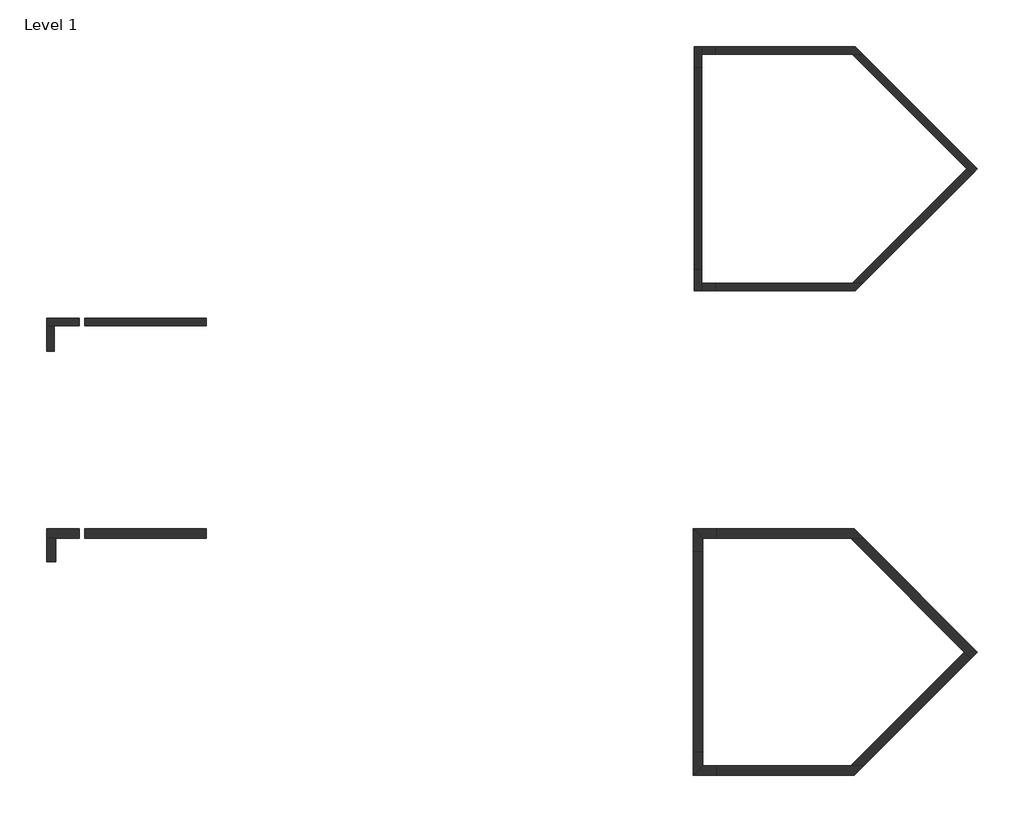
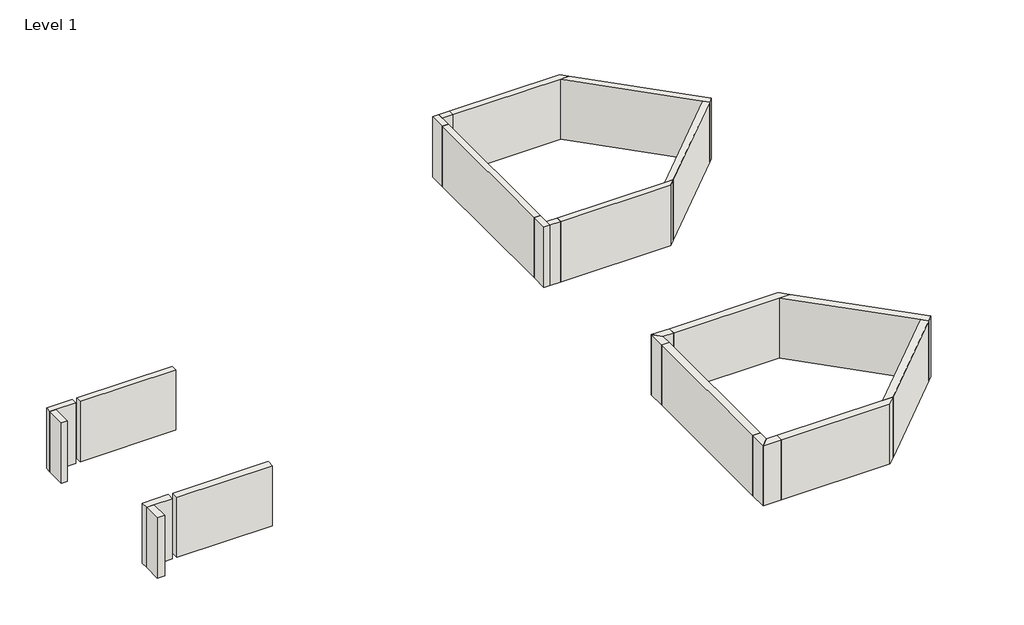
# One storey: 24 walls.
"""IFC4 building model written with IfcOpenShell, lengths in millimetres."""

import ifcopenshell
import ifcopenshell.guid

model = None  # the IFC model being written
_history = None  # IfcOwnerHistory: only IFC2X3 demands one
_inside = {}  # id of a spatial element -> (the spatial element, [elements in it])
_under = {}  # id of a project, library or spatial element -> (it, [spatial elements below it])
_declared = {}  # id of a project -> (the project, [libraries it declares])
_typed = {}  # id of a type object -> (the type object, [elements of that type])
_made_of = {}  # id of a material, layer set ... -> (it, [elements and type objects made of it])


def new_model(schema):
    """Start an empty IFC model of exactly this schema.

    Asked for "IFC4X3", IfcOpenShell would pick the latest addendum, in which some entities
    have other attributes; the version numbers below select the first issue.
    IFC2X3 requires an IfcOwnerHistory on every rooted entity: one is made here for all.
    """
    global model, _history
    if schema == "IFC4X3":
        model = ifcopenshell.file(schema_version=(4, 3, 0, 0))
    else:
        model = ifcopenshell.file(schema=schema)
    _inside.clear()
    _under.clear()
    _declared.clear()
    _typed.clear()
    _made_of.clear()
    _history = None
    if model.schema == "IFC2X3":
        org = make("IfcOrganization", Name="unknown")
        user = make(
            "IfcPersonAndOrganization",
            ThePerson=make("IfcPerson", FamilyName="unknown"),
            TheOrganization=org,
        )
        app = make(
            "IfcApplication",
            ApplicationDeveloper=org,
            Version="unknown",
            ApplicationFullName="unknown",
            ApplicationIdentifier="unknown",
        )
        _history = make(
            "IfcOwnerHistory",
            OwningUser=user,
            OwningApplication=app,
            ChangeAction="ADDED",
            CreationDate=0,
        )
    return model


def make(cls, **values):
    """One entity of the class cls with the attributes given. An attribute that is None is left unset."""
    return model.create_entity(
        cls, **{name: value for name, value in values.items() if value is not None}
    )


def rooted(cls, **values):
    """An entity with a GlobalId (a new one), such as an element, a storey or a relation."""
    return make(cls, GlobalId=ifcopenshell.guid.new(), OwnerHistory=_history, **values)


def si_unit(unit_type, name, prefix=None):
    """IfcSIUnit, for example si_unit("LENGTHUNIT", "METRE", prefix="MILLI")."""
    return make("IfcSIUnit", UnitType=unit_type, Prefix=prefix, Name=name)


def assignment(units):
    """IfcUnitAssignment: the units of a project."""
    return None if units is None else make("IfcUnitAssignment", Units=units)


def point(xyz):
    """IfcCartesianPoint."""
    return None if xyz is None else make("IfcCartesianPoint", Coordinates=xyz)


def direction(xyz):
    """IfcDirection."""
    return None if xyz is None else make("IfcDirection", DirectionRatios=xyz)


def frame(location, z_axis=None, x_axis=None):
    """IfcAxis2Placement3D, a coordinate frame: its origin and axes. An axis left out is left unset."""
    return make(
        "IfcAxis2Placement3D",
        Location=point(location),
        Axis=direction(z_axis),
        RefDirection=direction(x_axis),
    )


def origin():
    """The frame at (0, 0, 0) with its axes left unset."""
    return frame((0.0, 0.0, 0.0))


def origin_with_axes():
    """The frame at (0, 0, 0) with the z axis (0, 0, 1) and the x axis (1, 0, 0) written out."""
    return frame((0.0, 0.0, 0.0), z_axis=(0.0, 0.0, 1.0), x_axis=(1.0, 0.0, 0.0))


def place(relative_to, where):
    """IfcLocalPlacement: puts the frame where relative to a parent placement (None: the world)."""
    return make(
        "IfcLocalPlacement", PlacementRelTo=relative_to, RelativePlacement=where
    )


def context(
    kind, dimensions, precision=None, world=None, true_north=None, identifier=None
):
    """IfcGeometricRepresentationContext, for example the 3D "Model" context."""
    return make(
        "IfcGeometricRepresentationContext",
        ContextIdentifier=identifier,
        ContextType=kind,
        CoordinateSpaceDimension=dimensions,
        Precision=precision,
        WorldCoordinateSystem=world,
        TrueNorth=true_north,
    )


def project(units=None, contexts=None):
    """IfcProject with its units and contexts."""
    return rooted(
        "IfcProject",
        Name="project",
        RepresentationContexts=contexts,
        UnitsInContext=assignment(units),
    )


def spatial(cls, under=None, at=None, **own):
    """A site, building, storey or space (cls), placed at a placement, below another one or the project."""
    s = rooted(cls, ObjectPlacement=at, **own)
    if under is not None:
        _under.setdefault(under.id(), (under, []))[1].append(s)
    return s


def polyline(points):
    """IfcPolyline through the points."""
    return make("IfcPolyline", Points=[point(p) for p in points])


def outline(outer, holes=None, kind="AREA"):
    """IfcArbitraryClosedProfileDef: a profile drawn as a closed curve; with holes, ...WithVoids."""
    if holes is None:
        return make("IfcArbitraryClosedProfileDef", ProfileType=kind, OuterCurve=outer)
    return make(
        "IfcArbitraryProfileDefWithVoids",
        ProfileType=kind,
        OuterCurve=outer,
        InnerCurves=holes,
    )


def extrude(swept, where, along, depth):
    """IfcExtrudedAreaSolid: the profile swept, set in the frame where, extruded along a direction by depth."""
    return make(
        "IfcExtrudedAreaSolid",
        SweptArea=swept,
        Position=where,
        ExtrudedDirection=direction(along),
        Depth=depth,
    )


def faces_of(points, faces, orient=None, outer=None):
    """IfcFace entities. A face is a list of loops; a loop is a list of indices into points, from 0.

    orient and outer hold one flag for each loop. By default every Orientation is true, the
    first loop of a face is its IfcFaceOuterBound and the others are IfcFaceBound.
    """
    made = []
    for i, loops in enumerate(faces):
        bounds = []
        for j, loop in enumerate(loops):
            is_outer = j == 0 if outer is None else outer[i][j]
            bounds.append(
                make(
                    "IfcFaceOuterBound" if is_outer else "IfcFaceBound",
                    Bound=make("IfcPolyLoop", Polygon=[points[k] for k in loop]),
                    Orientation=True if orient is None else orient[i][j],
                )
            )
        made.append(make("IfcFace", Bounds=bounds))
    return made


def faceted_brep(points, faces, orient=None, outer=None, voids=None):
    """IfcFacetedBrep: a solid bounded by flat faces; with voids (closed shells), ...WithVoids."""
    shared = [point(p) for p in points]
    hull = make("IfcClosedShell", CfsFaces=faces_of(shared, faces, orient, outer))
    if voids is None:
        return make("IfcFacetedBrep", Outer=hull)
    return make(
        "IfcFacetedBrepWithVoids",
        Outer=hull,
        Voids=[
            make(cls, CfsFaces=faces_of(shared, fs, o, b)) for cls, fs, o, b in voids
        ],
    )


def shape(context_of_items, identifier, shape_type, items):
    """IfcShapeRepresentation: the items that make up one representation, for example the "Body"."""
    return make(
        "IfcShapeRepresentation",
        ContextOfItems=context_of_items,
        RepresentationIdentifier=identifier,
        RepresentationType=shape_type,
        Items=items,
    )


def made_of(thing, what):
    """Note that an element or type object is made of a material, layer set ...; save() writes the relation."""
    if what is not None:
        _made_of.setdefault(what.id(), (what, []))[1].append(thing)
    return thing


def element(
    cls,
    number,
    at=None,
    inside=None,
    cuts=None,
    type_object=None,
    material=None,
    context=None,
    identifier="Body",
    shape_type=None,
    held_by="IfcProductDefinitionShape",
    body=None,
    shapes=None,
    **own,
):
    """One element of the class cls, such as IfcWall. Its Tag is "e" and its number.

    at: its placement. inside: the storey or other place that contains it. cuts: it is an
    opening in that element (IfcRelVoidsElement). A single representation is given by context,
    identifier, shape_type and body (its items); several are given by shapes. held_by: the class
    of the entity that holds the representations. save() writes the other relations.
    """
    e = rooted(cls, Tag="e%d" % number, ObjectPlacement=at, **own)
    if body is not None:
        shapes = [shape(context, identifier, shape_type, body)]
    if shapes is not None:
        e.Representation = make(held_by, Representations=shapes)
    if inside is not None:
        _inside.setdefault(inside.id(), (inside, []))[1].append(e)
    if cuts is not None:
        rooted(
            "IfcRelVoidsElement", RelatingBuildingElement=cuts, RelatedOpeningElement=e
        )
    if type_object is not None:
        _typed.setdefault(type_object.id(), (type_object, []))[1].append(e)
    return made_of(e, material)


def aggregate(whole, parts):
    """IfcRelAggregates: a whole, such as a stair, and the parts it consists of."""
    return rooted("IfcRelAggregates", RelatingObject=whole, RelatedObjects=parts)


def save(model, path):
    """Write the relations noted so far, then the file.

    IfcRelAggregates (storeys below a building ...), IfcRelContainedInSpatialStructure (elements
    in a storey), IfcRelDefinesByType, IfcRelAssociatesMaterial and IfcRelDeclares: one each for
    every whole, place, type object, material and project.
    """
    for whole, parts in _under.values():
        aggregate(whole, parts)
    for where, things in _inside.values():
        rooted(
            "IfcRelContainedInSpatialStructure",
            RelatedElements=things,
            RelatingStructure=where,
        )
    for kind, things in _typed.values():
        rooted("IfcRelDefinesByType", RelatedObjects=things, RelatingType=kind)
    for what, things in _made_of.values():
        rooted("IfcRelAssociatesMaterial", RelatedObjects=things, RelatingMaterial=what)
    for by, libraries in _declared.values():
        rooted("IfcRelDeclares", RelatingContext=by, RelatedDefinitions=libraries)
    model.write(path)


model = new_model("IFC4")

# Units and contexts
model_context = context("Model", 3, world=origin())
ifc_project = project(units=[si_unit("LENGTHUNIT", "METRE", prefix="MILLI")], contexts=[model_context])

# Site, building, storey
site = spatial("IfcSite", under=ifc_project)
building = spatial("IfcBuilding", under=site)
storey = spatial("IfcBuildingStorey", under=building, Name="Level 1", Elevation=0.0)

# Walls
placement = place(None, origin())
element("IfcWall", 1, ObjectType="BB-490G 4\" 90-degree GlobalBlock Wall", at=placement, inside=storey, context=model_context, shape_type="Brep", body=[
    faceted_brep([(9486.9298824, 2909.1367059, 0.0), (5270.5298824, 2909.1367059, 0.0), (5270.5298824, 2909.1367059, 2438.4), (9486.9298824, 2909.1367059, 2438.4), (9715.5298824, 2680.5367059, 0.0), (9715.5298824, 2680.5367059, 2438.4), (9392.240662, 2680.5367059, 2438.4), (5270.5298824, 2680.5367059, 2438.4), (5270.5298824, 2680.5367059, 0.0), (9392.240662, 2680.5367059, 0.0)], [[[0, 1, 2, 3]], [[4, 5, 6, 7, 8, 9]], [[1, 0, 4, 9, 8]], [[2, 1, 8, 7]], [[3, 2, 7, 6, 5]], [[0, 3, 5, 4]]]),
])
element("IfcWall", 2, ObjectType="BB-490G 4\" 90-degree GlobalBlock Wall", at=placement, inside=storey, context=model_context, shape_type="SweptSolid", body=[
    extrude(outline(polyline([(4635.5298824, -3821.8632941), (4635.5298824, 2274.1367059), (4864.1298824, 2274.1367059), (4864.1298824, -3821.8632941), (4635.5298824, -3821.8632941)])), origin_with_axes(), (0.0, 0.0, 1.0), 2438.4),
])
element("IfcWall", 3, ObjectType="BB-490G 4\" 90-degree GlobalBlock Wall", at=placement, inside=storey, context=model_context, shape_type="Brep", body=[
    faceted_brep([(5270.5298824, -4456.8632941, 0.0), (9486.9298824, -4456.8632941, 0.0), (9486.9298824, -4456.8632941, 2438.4), (5270.5298824, -4456.8632941, 2438.4), (5270.5298824, -4228.2632941, 0.0), (5270.5298824, -4228.2632941, 2438.4), (9392.240662, -4228.2632941, 2438.4), (9715.5298824, -4228.2632941, 2438.4), (9715.5298824, -4228.2632941, 0.0), (9392.240662, -4228.2632941, 0.0)], [[[0, 1, 2, 3]], [[4, 5, 6, 7, 8, 9]], [[1, 0, 4, 9, 8]], [[3, 2, 7, 6, 5]], [[0, 3, 5, 4]], [[2, 1, 8, 7]]]),
])
element("IfcWall", 4, ObjectType="BB-490G 4\" 90-degree GlobalBlock Wall", at=placement, inside=storey, context=model_context, shape_type="SweptSolid", body=[
    extrude(outline(polyline([(13008.2852722, -935.5079043), (9715.5298824, -4228.2632941), (9392.240662, -4228.2632941), (12846.640662, -773.8632941), (13008.2852722, -935.5079043)])), origin_with_axes(), (0.0, 0.0, 1.0), 2438.4),
])
element("IfcWall", 5, ObjectType="BB-490G 4\" 90-degree GlobalBlock Wall", at=placement, inside=storey, context=model_context, shape_type="Brep", body=[
    faceted_brep([(9392.240662, 2680.5367059, 0.0), (12846.640662, -773.8632941, 0.0), (13008.2852722, -935.5079043, 0.0), (13008.2852722, -935.5079043, 2438.4), (12846.640662, -773.8632941, 2438.4), (9392.240662, 2680.5367059, 2438.4), (9715.5298824, 2680.5367059, 0.0), (9715.5298824, 2680.5367059, 2438.4), (13169.9298824, -773.8632941, 2438.4), (13169.9298824, -773.8632941, 0.0)], [[[0, 1, 2, 3, 4, 5]], [[6, 7, 8, 9]], [[2, 1, 0, 6, 9]], [[5, 4, 3, 8, 7]], [[3, 2, 9, 8]], [[0, 5, 7, 6]]]),
])
element("IfcWall", 6, ObjectType="BB-490G 4\" 90-degree GlobalBlock Wall", at=placement, inside=storey, context=model_context, shape_type="SweptSolid", body=[
    extrude(outline(polyline([(-10069.6733697, -5508.9174703), (-13727.2733697, -5508.9174703), (-13727.2733697, -5280.3174703), (-10069.6733697, -5280.3174703), (-10069.6733697, -5508.9174703)])), origin_with_axes(), (0.0, 0.0, 1.0), 2438.4),
])
element("IfcWall", 7, ObjectType="BB-490G 4\" 90-degree GlobalBlock Wall", at=placement, inside=storey, context=model_context, shape_type="Brep", body=[
    faceted_brep([(4635.5298824, -3821.8632941, 0.0), (4635.5298824, -4456.8632941, 0.0), (4635.5298824, -4456.8632941, 2438.4), (4635.5298824, -3821.8632941, 2438.4), (4864.1298824, -3821.8632941, 0.0), (4864.1298824, -3821.8632941, 2438.4), (4864.1298824, -4228.2632941, 2438.4), (4864.1298824, -4456.8632941, 2438.4), (4864.1298824, -4456.8632941, 0.0), (4864.1298824, -4228.2632941, 0.0)], [[[0, 1, 2, 3]], [[4, 5, 6, 7, 8, 9]], [[1, 0, 4, 9, 8]], [[3, 2, 7, 6, 5]], [[0, 3, 5, 4]], [[2, 1, 8, 7]]]),
])
element("IfcWall", 8, ObjectType="BB-490G 4\" 90-degree GlobalBlock Wall", at=placement, inside=storey, context=model_context, shape_type="SweptSolid", body=[
    extrude(outline(polyline([(5270.5298824, -4456.8632941), (4864.1298824, -4456.8632941), (4864.1298824, -4228.2632941), (5270.5298824, -4228.2632941), (5270.5298824, -4456.8632941)])), origin_with_axes(), (0.0, 0.0, 1.0), 2438.4),
])
element("IfcWall", 9, ObjectType="BB-490G 4\" 90-degree GlobalBlock Wall", at=placement, inside=storey, context=model_context, shape_type="Brep", body=[
    faceted_brep([(4864.1298824, 2274.1367059, 0.0), (4864.1298824, 2680.5367059, 0.0), (4864.1298824, 2909.1367059, 0.0), (4864.1298824, 2909.1367059, 2438.4), (4864.1298824, 2680.5367059, 2438.4), (4864.1298824, 2274.1367059, 2438.4), (4635.5298824, 2274.1367059, 0.0), (4635.5298824, 2274.1367059, 2438.4), (4635.5298824, 2909.1367059, 2438.4), (4635.5298824, 2909.1367059, 0.0)], [[[0, 1, 2, 3, 4, 5]], [[6, 7, 8, 9]], [[2, 1, 0, 6, 9]], [[5, 4, 3, 8, 7]], [[0, 5, 7, 6]], [[3, 2, 9, 8]]]),
])
element("IfcWall", 10, ObjectType="BB-490G 4\" 90-degree GlobalBlock Wall", at=placement, inside=storey, context=model_context, shape_type="SweptSolid", body=[
    extrude(outline(polyline([(5270.5298824, 2680.5367059), (4864.1298824, 2680.5367059), (4864.1298824, 2909.1367059), (5270.5298824, 2909.1367059), (5270.5298824, 2680.5367059)])), origin_with_axes(), (0.0, 0.0, 1.0), 2438.4),
])
element("IfcWall", 11, ObjectType="BB-490G 4\" 90-degree GlobalBlock Wall", at=placement, inside=storey, context=model_context, shape_type="Brep", body=[
    faceted_brep([(-13894.9938006, -5280.3174703, 0.0), (-14885.5938006, -5280.3174703, 0.0), (-14885.5938006, -5280.3174703, 2438.4), (-13894.9938006, -5280.3174703, 2438.4), (-13894.9938006, -5508.9174703, 0.0), (-13894.9938006, -5508.9174703, 2438.4), (-14656.9938006, -5508.9174703, 2438.4), (-14885.5938006, -5508.9174703, 2438.4), (-14885.5938006, -5508.9174703, 0.0), (-14656.9938006, -5508.9174703, 0.0)], [[[0, 1, 2, 3]], [[4, 5, 6, 7, 8, 9]], [[1, 0, 4, 9, 8]], [[3, 2, 7, 6, 5]], [[0, 3, 5, 4]], [[2, 1, 8, 7]]]),
])
element("IfcWall", 12, ObjectType="BB-490G 4\" 90-degree GlobalBlock Wall", at=placement, inside=storey, context=model_context, shape_type="SweptSolid", body=[
    extrude(outline(polyline([(-14885.5938006, -6270.9174703), (-14885.5938006, -5508.9174703), (-14656.9938006, -5508.9174703), (-14656.9938006, -6270.9174703), (-14885.5938006, -6270.9174703)])), origin_with_axes(), (0.0, 0.0, 1.0), 2438.4),
])
element("IfcWall", 13, ObjectType="BB-690G 6\" 90-degree GlobalBlock Wall", at=placement, inside=storey, context=model_context, shape_type="Brep", body=[
    faceted_brep([(9461.5298824, -11630.4741764, 0.0), (5295.9298824, -11630.4741764, 0.0), (5295.9298824, -11630.4741764, 2438.4), (9461.5298824, -11630.4741764, 2438.4), (9740.9298824, -11909.8741764, 0.0), (9740.9298824, -11909.8741764, 2438.4), (9345.798613, -11909.8741764, 2438.4), (5295.9298824, -11909.8741764, 2438.4), (5295.9298824, -11909.8741764, 0.0), (9345.798613, -11909.8741764, 0.0)], [[[0, 1, 2, 3]], [[4, 5, 6, 7, 8, 9]], [[1, 0, 4, 9, 8]], [[2, 1, 8, 7]], [[3, 2, 7, 6, 5]], [[0, 3, 5, 4]]]),
])
element("IfcWall", 14, ObjectType="BB-690G 6\" 90-degree GlobalBlock Wall", at=placement, inside=storey, context=model_context, shape_type="SweptSolid", body=[
    extrude(outline(polyline([(4610.1298824, -18361.4741764), (4610.1298824, -12316.2741764), (4889.5298824, -12316.2741764), (4889.5298824, -18361.4741764), (4610.1298824, -18361.4741764)])), origin_with_axes(), (0.0, 0.0, 1.0), 2438.4),
])
element("IfcWall", 15, ObjectType="BB-690G 6\" 90-degree GlobalBlock Wall", at=placement, inside=storey, context=model_context, shape_type="Brep", body=[
    faceted_brep([(5295.9298824, -19047.2741764, 0.0), (9461.5298824, -19047.2741764, 0.0), (9461.5298824, -19047.2741764, 2438.4), (5295.9298824, -19047.2741764, 2438.4), (5295.9298824, -18767.8741764, 0.0), (5295.9298824, -18767.8741764, 2438.4), (9345.798613, -18767.8741764, 2438.4), (9740.9298824, -18767.8741764, 2438.4), (9740.9298824, -18767.8741764, 0.0), (9345.798613, -18767.8741764, 0.0)], [[[0, 1, 2, 3]], [[4, 5, 6, 7, 8, 9]], [[1, 0, 4, 9, 8]], [[3, 2, 7, 6, 5]], [[0, 3, 5, 4]], [[2, 1, 8, 7]]]),
])
element("IfcWall", 16, ObjectType="BB-690G 6\" 90-degree GlobalBlock Wall", at=placement, inside=storey, context=model_context, shape_type="SweptSolid", body=[
    extrude(outline(polyline([(12972.3642477, -15536.4398111), (9740.9298824, -18767.8741764), (9345.798613, -18767.8741764), (12774.798613, -15338.8741764), (12972.3642477, -15536.4398111)])), origin_with_axes(), (0.0, 0.0, 1.0), 2438.4),
])
element("IfcWall", 17, ObjectType="BB-690G 6\" 90-degree GlobalBlock Wall", at=placement, inside=storey, context=model_context, shape_type="Brep", body=[
    faceted_brep([(9345.798613, -11909.8741764, 0.0), (12774.798613, -15338.8741764, 0.0), (12972.3642477, -15536.4398111, 0.0), (12972.3642477, -15536.4398111, 2438.4), (12774.798613, -15338.8741764, 2438.4), (9345.798613, -11909.8741764, 2438.4), (9740.9298824, -11909.8741764, 0.0), (9740.9298824, -11909.8741764, 2438.4), (13169.9298824, -15338.8741764, 2438.4), (13169.9298824, -15338.8741764, 0.0)], [[[0, 1, 2, 3, 4, 5]], [[6, 7, 8, 9]], [[2, 1, 0, 6, 9]], [[5, 4, 3, 8, 7]], [[3, 2, 9, 8]], [[0, 5, 7, 6]]]),
])
element("IfcWall", 18, ObjectType="BB-690G 6\" 90-degree GlobalBlock Wall", at=placement, inside=storey, context=model_context, shape_type="SweptSolid", body=[
    extrude(outline(polyline([(-10069.6733697, -11909.8741764), (-13727.2733697, -11909.8741764), (-13727.2733697, -11630.4741764), (-10069.6733697, -11630.4741764), (-10069.6733697, -11909.8741764)])), origin_with_axes(), (0.0, 0.0, 1.0), 2438.4),
])
element("IfcWall", 19, ObjectType="BB-690G 6\" 90-degree GlobalBlock Wall", at=placement, inside=storey, context=model_context, shape_type="SweptSolid", body=[
    extrude(outline(polyline([(4889.5298824, -11909.8741764), (4889.5298824, -12316.2741764), (4610.1298824, -12316.2741764), (4610.1298824, -11630.4741764), (4889.5298824, -11909.8741764)])), origin_with_axes(), (0.0, 0.0, 1.0), 2438.4),
])
element("IfcWall", 20, ObjectType="BB-690G 6\" 90-degree GlobalBlock Wall", at=placement, inside=storey, context=model_context, shape_type="SweptSolid", body=[
    extrude(outline(polyline([(5295.9298824, -11909.8741764), (4889.5298824, -11909.8741764), (4610.1298824, -11630.4741764), (5295.9298824, -11630.4741764), (5295.9298824, -11909.8741764)])), origin_with_axes(), (0.0, 0.0, 1.0), 2438.4),
])
element("IfcWall", 21, ObjectType="BB-690G 6\" 90-degree GlobalBlock Wall", at=placement, inside=storey, context=model_context, shape_type="SweptSolid", body=[
    extrude(outline(polyline([(4610.1298824, -19047.2741764), (4610.1298824, -18361.4741764), (4889.5298824, -18361.4741764), (4889.5298824, -18767.8741764), (4610.1298824, -19047.2741764)])), origin_with_axes(), (0.0, 0.0, 1.0), 2438.4),
])
element("IfcWall", 22, ObjectType="BB-690G 6\" 90-degree GlobalBlock Wall", at=placement, inside=storey, context=model_context, shape_type="SweptSolid", body=[
    extrude(outline(polyline([(5295.9298824, -19047.2741764), (4610.1298824, -19047.2741764), (4889.5298824, -18767.8741764), (5295.9298824, -18767.8741764), (5295.9298824, -19047.2741764)])), origin_with_axes(), (0.0, 0.0, 1.0), 2438.4),
])
element("IfcWall", 23, ObjectType="BB-690G 6\" 90-degree GlobalBlock Wall", at=placement, inside=storey, context=model_context, shape_type="Brep", body=[
    faceted_brep([(-13894.9938006, -11630.4741764, 0.0), (-14885.5938006, -11630.4741764, 0.0), (-14885.5938006, -11630.4741764, 2438.4), (-13894.9938006, -11630.4741764, 2438.4), (-13894.9938006, -11909.8741764, 0.0), (-13894.9938006, -11909.8741764, 2438.4), (-14606.1938006, -11909.8741764, 2438.4), (-14885.5938006, -11909.8741764, 2438.4), (-14885.5938006, -11909.8741764, 0.0), (-14606.1938006, -11909.8741764, 0.0)], [[[0, 1, 2, 3]], [[4, 5, 6, 7, 8, 9]], [[1, 0, 4, 9, 8]], [[3, 2, 7, 6, 5]], [[0, 3, 5, 4]], [[2, 1, 8, 7]]]),
])
element("IfcWall", 24, ObjectType="BB-690G 6\" 90-degree GlobalBlock Wall", at=placement, inside=storey, context=model_context, shape_type="SweptSolid", body=[
    extrude(outline(polyline([(-14885.5938006, -12621.0741764), (-14885.5938006, -11909.8741764), (-14606.1938006, -11909.8741764), (-14606.1938006, -12621.0741764), (-14885.5938006, -12621.0741764)])), origin_with_axes(), (0.0, 0.0, 1.0), 2438.4),
])

save(model, "model.ifc")
